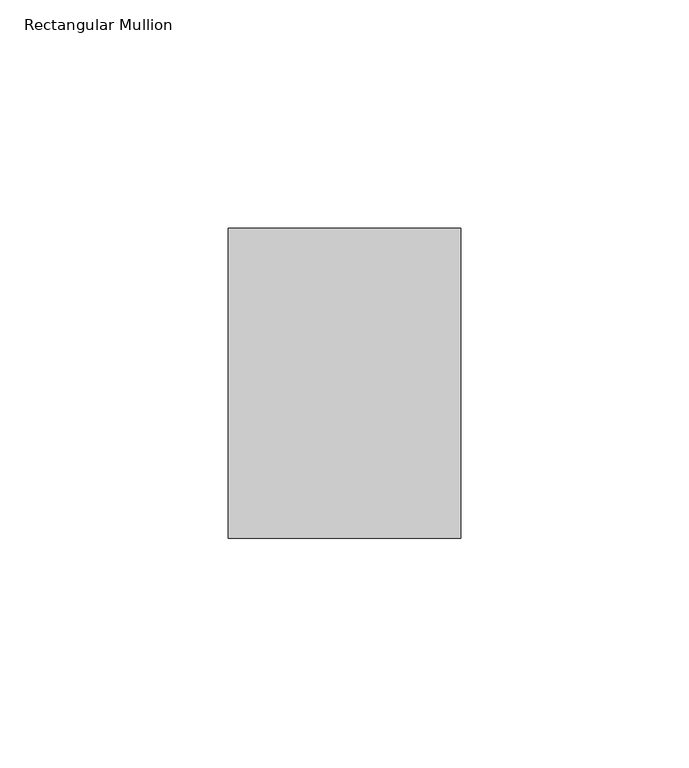
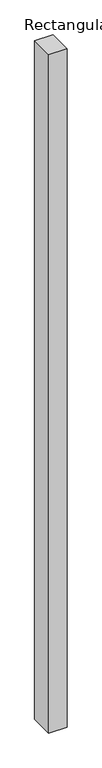
"""IFC4 building model written with IfcOpenShell, lengths in millimetres: member geometry, Rectangular Mullion."""

from ifc_helpers import new_model, si_unit, frame, origin, place, context, project, spatial, polyline, outline, extrude, source, transform, mapped, element, save


def rectangular_mullion_c8b06f53(model_context):
    return source(origin(), model_context, "Body", "SweptSolid", [
        extrude(outline(polyline([(0.0, 68.0), (0.0, 0.0), (-51.0, 0.0), (-51.0, 68.0), (0.0, 68.0)])), frame((0.0, 0.0, -2000.0), z_axis=(0.0, 0.0, 1.0), x_axis=(1.0, 0.0, 0.0)), (0.0, 0.0, 1.0), 2000.0),
    ])


if __name__ == "__main__":
    model = new_model("IFC4")
    model_context = context("Model", 3, world=origin())
    ifc_project = project(units=[si_unit("LENGTHUNIT", "METRE", prefix="MILLI")], contexts=[model_context])
    site = spatial("IfcSite", under=ifc_project)
    building = spatial("IfcBuilding", under=site)
    placement = place(None, origin())
    rectangular_mullion_shape = rectangular_mullion_c8b06f53(model_context)
    element("IfcMember", 1, ObjectType="Rectangular Mullion", at=placement, inside=building, context=model_context, shape_type="MappedRepresentation", body=[
        mapped(rectangular_mullion_shape, transform((0.0, 0.0, 0.0), x_axis=(1.0, 0.0, 0.0), y_axis=(0.0, 1.0, 0.0), z_axis=(0.0, 0.0, 1.0))),
    ])
    save(model, "model.ifc")
